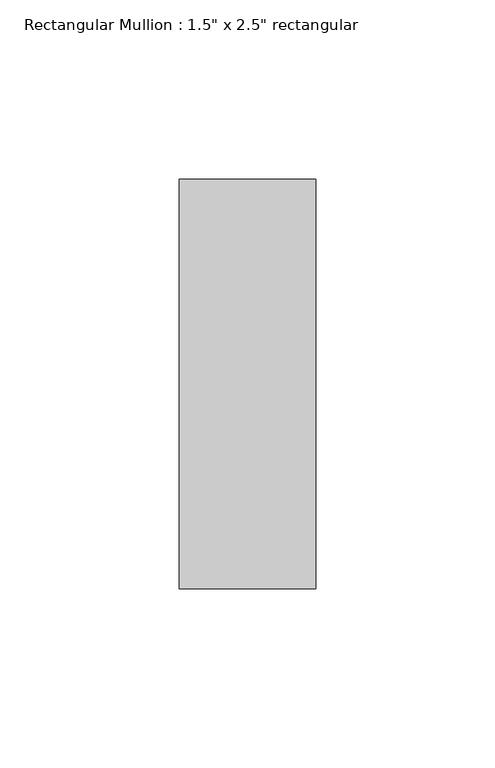
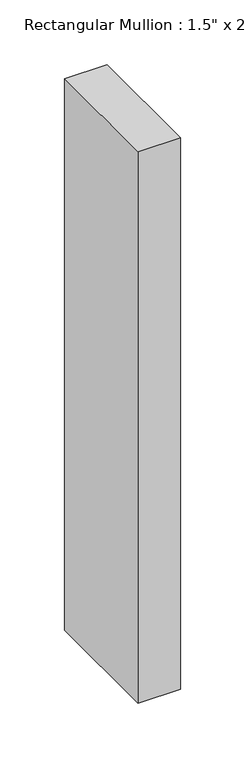
"""IFC4 building model written with IfcOpenShell, lengths in millimetres: member geometry."""

from ifc_helpers import new_model, si_unit, frame, origin, place, context, project, spatial, polyline, outline, extrude, source, transform, mapped, element, save


def member_0135fac1(model_context):
    return source(origin(), model_context, "Body", "SweptSolid", [
        extrude(outline(polyline([(0.0, 57.15), (0.0, -57.15), (-38.1, -57.15), (-38.1, 57.15), (0.0, 57.15)])), frame((0.0, 0.0, -521.49375), z_axis=(0.0, 0.0, 1.0), x_axis=(1.0, 0.0, 0.0)), (0.0, 0.0, 1.0), 521.49375),
    ])


if __name__ == "__main__":
    model = new_model("IFC4")
    model_context = context("Model", 3, world=origin())
    ifc_project = project(units=[si_unit("LENGTHUNIT", "METRE", prefix="MILLI")], contexts=[model_context])
    site = spatial("IfcSite", under=ifc_project)
    building = spatial("IfcBuilding", under=site)
    placement = place(None, origin())
    member_shape = member_0135fac1(model_context)
    element("IfcMember", 1, ObjectType="Rectangular Mullion : 1.5\" x 2.5\" rectangular", at=placement, inside=building, context=model_context, shape_type="MappedRepresentation", body=[
        mapped(member_shape, transform((0.0, 0.0, 0.0), x_axis=(1.0, 0.0, 0.0), y_axis=(0.0, 1.0, 0.0), z_axis=(0.0, 0.0, 1.0))),
    ])
    save(model, "model.ifc")
